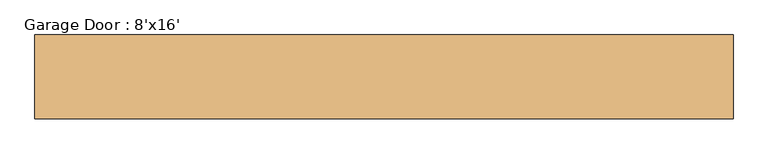
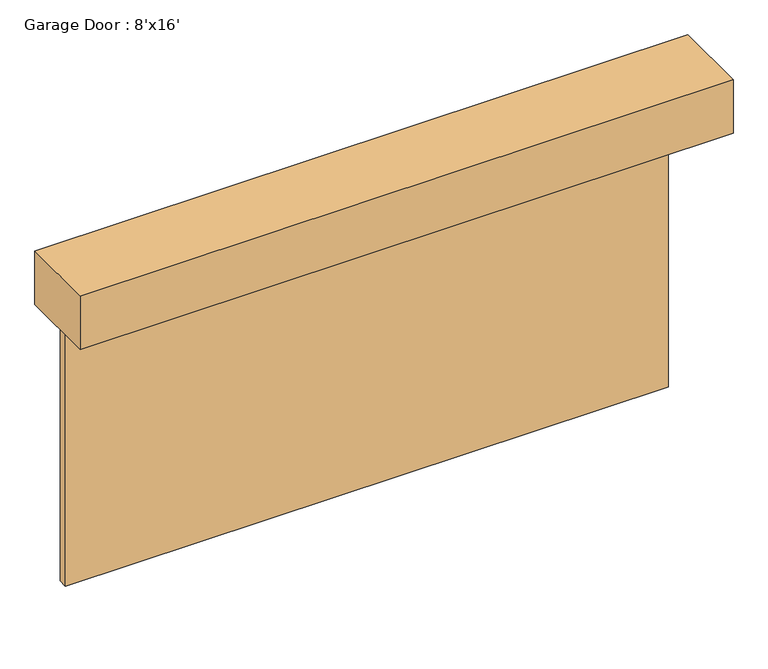
"""IFC4 building model written with IfcOpenShell, lengths in millimetres: door geometry, Garage Door : 8'x16'."""

from ifc_helpers import new_model, si_unit, frame, origin, place, context, project, spatial, polyline, outline, extrude, faceted_brep, source, transform, mapped, element, save


def garage_door_8_x16_69fabdb3(model_context):
    return source(origin(), model_context, "Body", "SolidModel", [
        faceted_brep([(2438.4, -57.15, 2438.4), (-2438.4, -57.15, 2438.4), (-2438.4, -133.35, 2438.4), (2438.4, -133.35, 2438.4), (2438.4, -57.15, 0.0), (2438.4, -133.35, 0.0), (-2438.4, -133.35, 0.0), (-2438.4, -57.15, 0.0), (76.2, -57.15, 2336.8), (76.2, -57.15, 1854.2), (1143.0, -57.15, 1854.2), (1143.0, -57.15, 2336.8), (1295.4, -57.15, 2336.8), (1295.4, -57.15, 1854.2), (2362.2, -57.15, 1854.2), (2362.2, -57.15, 2336.8), (-76.2, -57.15, 2336.8), (-1143.0, -57.15, 2336.8), (-1143.0, -57.15, 1854.2), (-76.2, -57.15, 1854.2), (-1295.4, -57.15, 2336.8), (-2362.2, -57.15, 2336.8), (-2362.2, -57.15, 1854.2), (-1295.4, -57.15, 1854.2), (76.2, -57.15, 1778.0), (76.2, -57.15, 1295.4), (1143.0, -57.15, 1295.4), (1143.0, -57.15, 1778.0), (1295.4, -57.15, 1778.0), (1295.4, -57.15, 1295.4), (2362.2, -57.15, 1295.4), (2362.2, -57.15, 1778.0), (-76.2, -57.15, 1778.0), (-1143.0, -57.15, 1778.0), (-1143.0, -57.15, 1295.4), (-76.2, -57.15, 1295.4), (-1295.4, -57.15, 1778.0), (-2362.2, -57.15, 1778.0), (-2362.2, -57.15, 1295.4), (-1295.4, -57.15, 1295.4), (76.2, -57.15, 1219.2), (76.2, -57.15, 736.6), (1143.0, -57.15, 736.6), (1143.0, -57.15, 1219.2), (1295.4, -57.15, 1219.2), (1295.4, -57.15, 736.6), (2362.2, -57.15, 736.6), (2362.2, -57.15, 1219.2), (-76.2, -57.15, 1219.2), (-1143.0, -57.15, 1219.2), (-1143.0, -57.15, 736.6), (-76.2, -57.15, 736.6), (-1295.4, -57.15, 1219.2), (-2362.2, -57.15, 1219.2), (-2362.2, -57.15, 736.6), (-1295.4, -57.15, 736.6), (76.2, -57.15, 660.4), (76.2, -57.15, 177.8), (1143.0, -57.15, 177.8), (1143.0, -57.15, 660.4), (1295.4, -57.15, 660.4), (1295.4, -57.15, 177.8), (2362.2, -57.15, 177.8), (2362.2, -57.15, 660.4), (-76.2, -57.15, 660.4), (-1143.0, -57.15, 660.4), (-1143.0, -57.15, 177.8), (-76.2, -57.15, 177.8), (-1295.4, -57.15, 660.4), (-2362.2, -57.15, 660.4), (-2362.2, -57.15, 177.8), (-1295.4, -57.15, 177.8), (76.2, -64.8193273, 2336.8), (1143.0, -64.8193273, 2336.8), (1143.0, -64.8193273, 1854.2), (76.2, -64.8193273, 1854.2), (1295.4, -64.8193273, 2336.8), (2362.2, -64.8193273, 2336.8), (2362.2, -64.8193273, 1854.2), (1295.4, -64.8193273, 1854.2), (-76.2, -64.8193273, 2336.8), (-76.2, -64.8193273, 1854.2), (-1143.0, -64.8193273, 1854.2), (-1143.0, -64.8193273, 2336.8), (-1295.4, -64.8193273, 2336.8), (-1295.4, -64.8193273, 1854.2), (-2362.2, -64.8193273, 1854.2), (-2362.2, -64.8193273, 2336.8), (76.2, -64.8193273, 1778.0), (1143.0, -64.8193273, 1778.0), (1143.0, -64.8193273, 1295.4), (76.2, -64.8193273, 1295.4), (1295.4, -64.8193273, 1778.0), (2362.2, -64.8193273, 1778.0), (2362.2, -64.8193273, 1295.4), (1295.4, -64.8193273, 1295.4), (-76.2, -64.8193273, 1778.0), (-76.2, -64.8193273, 1295.4), (-1143.0, -64.8193273, 1295.4), (-1143.0, -64.8193273, 1778.0), (-1295.4, -64.8193273, 1778.0), (-1295.4, -64.8193273, 1295.4), (-2362.2, -64.8193273, 1295.4), (-2362.2, -64.8193273, 1778.0), (76.2, -64.8193273, 1219.2), (1143.0, -64.8193273, 1219.2), (1143.0, -64.8193273, 736.6), (76.2, -64.8193273, 736.6), (1295.4, -64.8193273, 1219.2), (2362.2, -64.8193273, 1219.2), (2362.2, -64.8193273, 736.6), (1295.4, -64.8193273, 736.6), (-76.2, -64.8193273, 1219.2), (-76.2, -64.8193273, 736.6), (-1143.0, -64.8193273, 736.6), (-1143.0, -64.8193273, 1219.2), (-1295.4, -64.8193273, 1219.2), (-1295.4, -64.8193273, 736.6), (-2362.2, -64.8193273, 736.6), (-2362.2, -64.8193273, 1219.2), (76.2, -64.8193273, 660.4), (1143.0, -64.8193273, 660.4), (1143.0, -64.8193273, 177.8), (76.2, -64.8193273, 177.8), (1295.4, -64.8193273, 660.4), (2362.2, -64.8193273, 660.4), (2362.2, -64.8193273, 177.8), (1295.4, -64.8193273, 177.8), (-76.2, -64.8193273, 660.4), (-76.2, -64.8193273, 177.8), (-1143.0, -64.8193273, 177.8), (-1143.0, -64.8193273, 660.4), (-1295.4, -64.8193273, 660.4), (-1295.4, -64.8193273, 177.8), (-2362.2, -64.8193273, 177.8), (-2362.2, -64.8193273, 660.4)], [[[0, 1, 2, 3]], [[4, 5, 6, 7]], [[1, 0, 4, 7], [8, 9, 10, 11], [12, 13, 14, 15], [16, 17, 18, 19], [20, 21, 22, 23], [24, 25, 26, 27], [28, 29, 30, 31], [32, 33, 34, 35], [36, 37, 38, 39], [40, 41, 42, 43], [44, 45, 46, 47], [48, 49, 50, 51], [52, 53, 54, 55], [56, 57, 58, 59], [60, 61, 62, 63], [64, 65, 66, 67], [68, 69, 70, 71]], [[2, 1, 7, 6]], [[3, 2, 6, 5]], [[0, 3, 5, 4]], [[72, 73, 74, 75]], [[76, 77, 78, 79]], [[80, 81, 82, 83]], [[84, 85, 86, 87]], [[88, 89, 90, 91]], [[92, 93, 94, 95]], [[96, 97, 98, 99]], [[100, 101, 102, 103]], [[104, 105, 106, 107]], [[108, 109, 110, 111]], [[112, 113, 114, 115]], [[116, 117, 118, 119]], [[120, 121, 122, 123]], [[124, 125, 126, 127]], [[128, 129, 130, 131]], [[132, 133, 134, 135]], [[72, 75, 9, 8]], [[75, 74, 10, 9]], [[74, 73, 11, 10]], [[73, 72, 8, 11]], [[76, 79, 13, 12]], [[79, 78, 14, 13]], [[78, 77, 15, 14]], [[77, 76, 12, 15]], [[80, 83, 17, 16]], [[83, 82, 18, 17]], [[82, 81, 19, 18]], [[81, 80, 16, 19]], [[84, 87, 21, 20]], [[87, 86, 22, 21]], [[86, 85, 23, 22]], [[85, 84, 20, 23]], [[88, 91, 25, 24]], [[91, 90, 26, 25]], [[90, 89, 27, 26]], [[89, 88, 24, 27]], [[92, 95, 29, 28]], [[95, 94, 30, 29]], [[94, 93, 31, 30]], [[93, 92, 28, 31]], [[96, 99, 33, 32]], [[99, 98, 34, 33]], [[98, 97, 35, 34]], [[97, 96, 32, 35]], [[100, 103, 37, 36]], [[103, 102, 38, 37]], [[102, 101, 39, 38]], [[101, 100, 36, 39]], [[104, 107, 41, 40]], [[107, 106, 42, 41]], [[106, 105, 43, 42]], [[105, 104, 40, 43]], [[108, 111, 45, 44]], [[111, 110, 46, 45]], [[110, 109, 47, 46]], [[109, 108, 44, 47]], [[112, 115, 49, 48]], [[115, 114, 50, 49]], [[114, 113, 51, 50]], [[113, 112, 48, 51]], [[116, 119, 53, 52]], [[119, 118, 54, 53]], [[118, 117, 55, 54]], [[117, 116, 52, 55]], [[120, 123, 57, 56]], [[123, 122, 58, 57]], [[122, 121, 59, 58]], [[121, 120, 56, 59]], [[124, 127, 61, 60]], [[127, 126, 62, 61]], [[126, 125, 63, 62]], [[125, 124, 60, 63]], [[128, 131, 65, 64]], [[131, 130, 66, 65]], [[130, 129, 67, 66]], [[129, 128, 64, 67]], [[132, 135, 69, 68]], [[135, 134, 70, 69]], [[134, 133, 71, 70]], [[133, 132, 68, 71]]]),
        extrude(outline(polyline([(2641.6, -692.15), (-2641.6, -692.15), (-2641.6, -57.15), (2641.6, -57.15), (2641.6, -692.15)])), frame((0.0, 0.0, 2438.4), z_axis=(0.0, 0.0, 1.0), x_axis=(1.0, 0.0, 0.0)), (0.0, 0.0, 1.0), 457.2),
    ])


if __name__ == "__main__":
    model = new_model("IFC4")
    model_context = context("Model", 3, world=origin())
    ifc_project = project(units=[si_unit("LENGTHUNIT", "METRE", prefix="MILLI")], contexts=[model_context])
    site = spatial("IfcSite", under=ifc_project)
    building = spatial("IfcBuilding", under=site)
    placement = place(None, origin())
    garage_door_8_x16_shape = garage_door_8_x16_69fabdb3(model_context)
    element("IfcDoor", 1, ObjectType="Garage Door : 8'x16'", at=placement, inside=building, context=model_context, shape_type="MappedRepresentation", body=[
        mapped(garage_door_8_x16_shape, transform((0.0, 0.0, 0.0), x_axis=(1.0, 0.0, 0.0), y_axis=(0.0, 1.0, 0.0), z_axis=(0.0, 0.0, 1.0))),
    ])
    save(model, "model.ifc")
